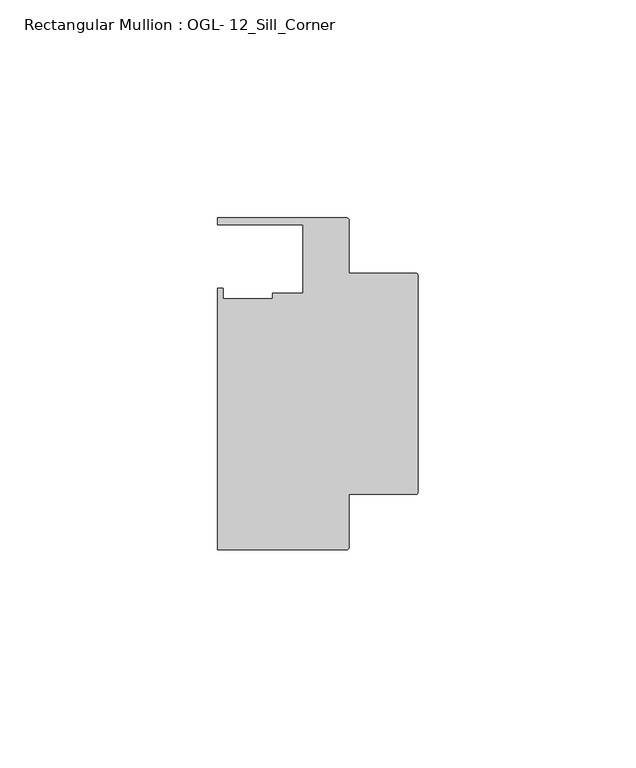
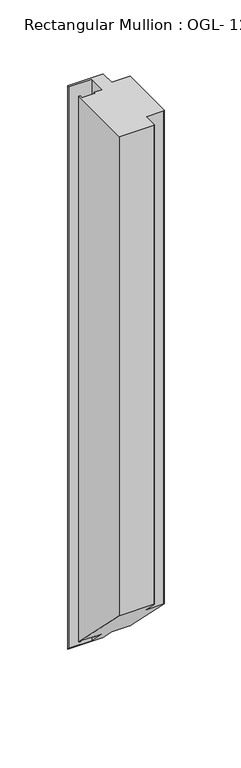
"""IFC4 building model written with IfcOpenShell, lengths in millimetres: member geometry, Rectangular Mullion : OGL- 12_Sill_Corner."""

from ifc_helpers import new_model, si_unit, frame, origin, place, context, project, spatial, circle_curve, ellipse_curve, source, transform, mapped, element, save
from ifc_brep_helpers import plane_surface, cylinder_surface, advanced_brep


def rectangular_mullion_ogl_12_sill_corner_9f015f39(model_context):
    return source(origin(), model_context, "Body", "AdvancedBrep", [
        advanced_brep(
        [(-0.5953125, -55.5625, 0.0), (0.0, -54.9671875, 0.0), (0.0, -5.3578125, 0.0), (-0.5953125, -4.7625, 0.0), (-15.8750672, -4.7625, 0.0), (-15.8750672, 7.3422035, 0.0), (-16.4703797, 7.937516, 0.0), (-46.0248655, 7.937516, 0.0), (-46.0248655, 6.350016, 0.0), (-26.3720794, 6.350016, 0.0), (-26.3720794, -9.3367652, 0.0), (-33.3985545, -9.3367652, 0.0), (-33.3985545, -10.6800725, 0.0), (-44.7780305, -10.6800725, 0.0), (-44.7780305, -8.1914024, 0.0), (-46.0339598, -8.1914024, 0.0), (-46.0339598, -68.2621792, 0.0), (-16.4703797, -68.2621792, 0.0), (-15.8750672, -67.6668667, 0.0), (-15.8750672, -55.5625, 0.0), (-0.5953125, -55.5625, -444.4753848), (0.0, -54.9671875, -445.0706973), (0.0, -5.3578125, -494.6800722), (-0.5953125, -4.7625, -495.2753847), (-15.8750672, -4.7625, -495.2753847), (-15.8750672, 7.3422035, -507.3800883), (-16.4703797, 7.937516, -507.9754008), (-46.0248655, 7.937516, -507.9754008), (-46.0248655, 6.350016, -506.3879008), (-26.3720794, 6.350016, -506.3879008), (-26.3720794, -9.3367652, -490.7011196), (-33.3985545, -9.3367652, -490.7011196), (-33.3985545, -10.6800725, -489.3578122), (-44.7780305, -10.6800725, -489.3578122), (-44.7780305, -8.1914024, -491.8464824), (-46.0339598, -8.1914024, -491.8464824), (-46.0339598, -68.2621792, -431.7757056), (-16.4703797, -68.2621792, -431.7757056), (-15.8750672, -67.6668667, -432.3710181), (-15.8750672, -55.5625, -444.4753848)],
        [
            (0, 1, circle_curve(frame((-0.5953125, -54.9671875, 0.0), z_axis=(0.0, 0.0, 1.0), x_axis=(0.0, -1.0, 0.0)), 0.5953125)),
            (1, 2),
            (2, 3, circle_curve(frame((-0.5953125, -5.3578125, 0.0), z_axis=(0.0, 0.0, 1.0), x_axis=(-1.0, 0.0, 0.0)), 0.5953125)),
            (3, 4),
            (4, 5),
            (5, 6, circle_curve(frame((-16.4703797, 7.3422035, 0.0), z_axis=(0.0, 0.0, 1.0), x_axis=(-1.0, 0.0, 0.0)), 0.5953125)),
            (6, 7),
            (7, 8),
            (8, 9),
            (9, 10),
            (10, 11),
            (11, 12),
            (12, 13),
            (13, 14),
            (14, 15),
            (15, 16),
            (16, 17),
            (17, 18, circle_curve(frame((-16.4703797, -67.6668667, 0.0), z_axis=(0.0, 0.0, 1.0), x_axis=(-1.0, 0.0, 0.0)), 0.5953125)),
            (18, 19),
            (19, 0),
            (0, 20),
            (20, 21, ellipse_curve(frame((-0.5953125, -54.9671875, -445.0706973), z_axis=(0.0, 0.7071067811865455, 0.7071067811865497), x_axis=(0.0, -0.7071067811865497, 0.7071067811865454)), 0.841899, 0.5953125)),
            (21, 1),
            (21, 22),
            (22, 2),
            (3, 23),
            (23, 24),
            (24, 4),
            (24, 25),
            (25, 5),
            (6, 26),
            (26, 27),
            (27, 7),
            (27, 28),
            (28, 8),
            (28, 29),
            (29, 9),
            (29, 30),
            (30, 10),
            (30, 31),
            (31, 11),
            (31, 32),
            (32, 12),
            (32, 33),
            (33, 13),
            (33, 34),
            (34, 14),
            (34, 35),
            (35, 15),
            (35, 36),
            (36, 16),
            (36, 37),
            (37, 17),
            (18, 38),
            (38, 39),
            (39, 19),
            (39, 20),
            (38, 37, ellipse_curve(frame((-16.4703797, -67.6668667, -432.3710181), z_axis=(0.0, -0.7071067811865455, -0.7071067811865497), x_axis=(0.0, -0.7071067811865497, 0.7071067811865454)), 0.841899, 0.5953125)),
            (26, 25, ellipse_curve(frame((-16.4703797, 7.3422035, -507.3800883), z_axis=(0.0, -0.7071067811865455, -0.7071067811865497), x_axis=(0.0, -0.7071067811865497, 0.7071067811865454)), 0.841899, 0.5953125)),
            (23, 22, ellipse_curve(frame((-0.5953125, -5.3578125, -494.6800722), z_axis=(0.0, -0.7071067811865455, -0.7071067811865497), x_axis=(0.0, -0.7071067811865497, 0.7071067811865454)), 0.841899, 0.5953125)),
        ],
        [
            plane_surface(frame((0.0, -82.3337754, 0.0), z_axis=(0.0, 0.0, 1.0), x_axis=(-1.0, 0.0, 0.0))),
            cylinder_surface(frame((-0.5953125, -54.9671875, 0.0), z_axis=(0.0, 0.0, 1.0), x_axis=(0.0, -1.0, 0.0)), 0.5953125),
            plane_surface(frame((0.0, -54.9671875, 0.0), z_axis=(1.0, 0.0, 0.0), x_axis=(0.0, 0.0, -1.0))),
            plane_surface(frame((-0.5953125, -4.7625, 0.0), z_axis=(0.0, 1.0, 0.0), x_axis=(0.0, 0.0, -1.0))),
            plane_surface(frame((-15.8750672, -4.7625, 0.0), z_axis=(1.0, 0.0, 0.0), x_axis=(0.0, 0.0, -1.0))),
            plane_surface(frame((-16.4703797, 7.937516, 0.0), z_axis=(0.0, 1.0, 0.0), x_axis=(0.0, 0.0, -1.0))),
            plane_surface(frame((-46.0248655, 7.937516, 0.0), z_axis=(-1.0, 0.0, 0.0), x_axis=(0.0, 0.0, -1.0))),
            plane_surface(frame((-46.0248655, 6.350016, 0.0), z_axis=(0.0, -1.0, 0.0), x_axis=(0.0, 0.0, -1.0))),
            plane_surface(frame((-26.3720794, 6.350016, 0.0), z_axis=(-1.0, 0.0, 0.0), x_axis=(0.0, 0.0, -1.0))),
            plane_surface(frame((-26.3720794, -9.3367652, 0.0), z_axis=(0.0, 1.0, 0.0), x_axis=(0.0, 0.0, -1.0))),
            plane_surface(frame((-33.3985545, -9.3367652, 0.0), z_axis=(-1.0, 0.0, 0.0), x_axis=(0.0, 0.0, -1.0))),
            plane_surface(frame((-33.3985545, -10.6800725, 0.0), z_axis=(0.0, 1.0, 0.0), x_axis=(0.0, 0.0, -1.0))),
            plane_surface(frame((-44.7780305, -10.6800725, 0.0), z_axis=(1.0, 0.0, 0.0), x_axis=(0.0, 0.0, -1.0))),
            plane_surface(frame((-44.7780305, -8.1914024, 0.0), z_axis=(0.0, 1.0, 0.0), x_axis=(0.0, 0.0, -1.0))),
            plane_surface(frame((-46.0339598, -8.1914024, 0.0), z_axis=(-1.0, 0.0, 0.0), x_axis=(0.0, 0.0, -1.0))),
            plane_surface(frame((-46.0339598, -68.2621792, 0.0), z_axis=(0.0, -1.0, 0.0), x_axis=(0.0, 0.0, -1.0))),
            plane_surface(frame((-15.8750672, -67.6668667, 0.0), z_axis=(1.0, 0.0, 0.0), x_axis=(0.0, 0.0, -1.0))),
            plane_surface(frame((-15.8750672, -55.5625, 0.0), z_axis=(0.0, -1.0, 0.0), x_axis=(0.0, 0.0, -1.0))),
            plane_surface(frame((304.8, 0.0, -500.0378848), z_axis=(0.0, -0.7071067811865455, -0.7071067811865497), x_axis=(0.0, -0.7071067811865497, 0.7071067811865455))),
            cylinder_surface(frame((-0.5953125, -5.3578125, 0.0), z_axis=(0.0, 0.0, 1.0), x_axis=(-1.0, 0.0, 0.0)), 0.5953125),
            cylinder_surface(frame((-16.4703797, 7.3422035, 0.0), z_axis=(0.0, 0.0, 1.0), x_axis=(-1.0, 0.0, 0.0)), 0.5953125),
            cylinder_surface(frame((-16.4703797, -67.6668667, 0.0), z_axis=(0.0, 0.0, 1.0), x_axis=(-1.0, 0.0, 0.0)), 0.5953125),
        ],
        [
            (0, [[1, 2, 3, 4, 5, 6, 7, 8, 9, 10, 11, 12, 13, 14, 15, 16, 17, 18, 19, 20]]),
            (1, [[-1, 21, 22, 23]]),
            (2, [[-2, -23, 24, 25]]),
            (3, [[-4, 26, 27, 28]]),
            (4, [[-5, -28, 29, 30]]),
            (5, [[-7, 31, 32, 33]]),
            (6, [[-8, -33, 34, 35]]),
            (7, [[-9, -35, 36, 37]]),
            (8, [[-10, -37, 38, 39]]),
            (9, [[-11, -39, 40, 41]]),
            (10, [[-12, -41, 42, 43]]),
            (11, [[-13, -43, 44, 45]]),
            (12, [[-14, -45, 46, 47]]),
            (13, [[-15, -47, 48, 49]]),
            (14, [[-16, -49, 50, 51]]),
            (15, [[-17, -51, 52, 53]]),
            (16, [[-19, 54, 55, 56]]),
            (17, [[-20, -56, 57, -21]]),
            (18, [[-57, -55, 58, -52, -50, -48, -46, -44, -42, -40, -38, -36, -34, -32, 59, -29, -27, 60, -24, -22]]),
            (19, [[-3, -25, -60, -26]]),
            (20, [[-6, -30, -59, -31]]),
            (21, [[-18, -53, -58, -54]]),
        ],
    ),
    ])


if __name__ == "__main__":
    model = new_model("IFC4")
    model_context = context("Model", 3, world=origin())
    ifc_project = project(units=[si_unit("LENGTHUNIT", "METRE", prefix="MILLI")], contexts=[model_context])
    site = spatial("IfcSite", under=ifc_project)
    building = spatial("IfcBuilding", under=site)
    placement = place(None, origin())
    rectangular_mullion_ogl_12_sill_corner_shape = rectangular_mullion_ogl_12_sill_corner_9f015f39(model_context)
    element("IfcMember", 1, ObjectType="Rectangular Mullion : OGL- 12_Sill_Corner", at=placement, inside=building, context=model_context, shape_type="MappedRepresentation", body=[
        mapped(rectangular_mullion_ogl_12_sill_corner_shape, transform((0.0, 0.0, 0.0), x_axis=(1.0, 0.0, 0.0), y_axis=(0.0, 1.0, 0.0), z_axis=(0.0, 0.0, 1.0))),
    ])
    save(model, "model.ifc")
